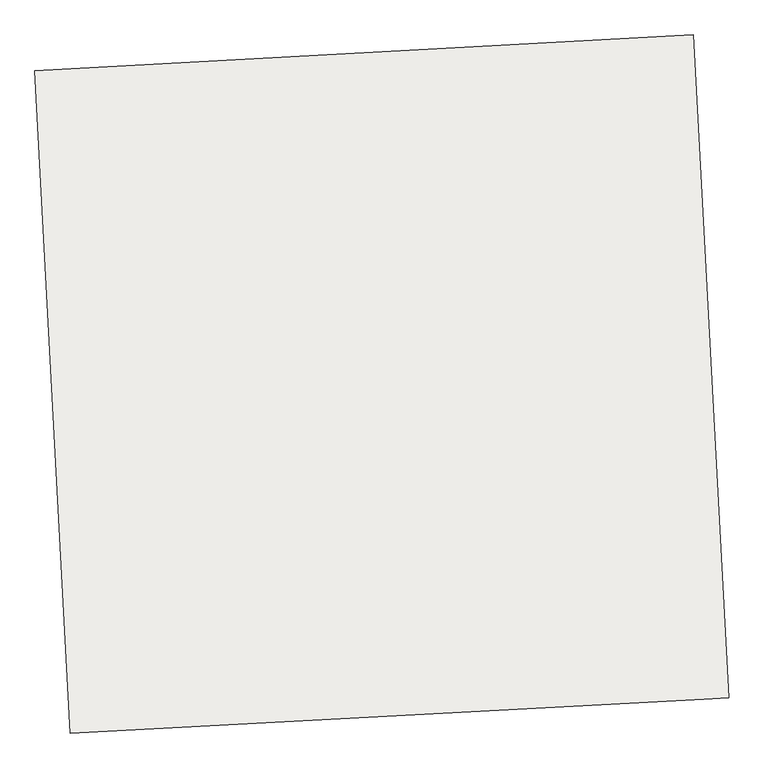
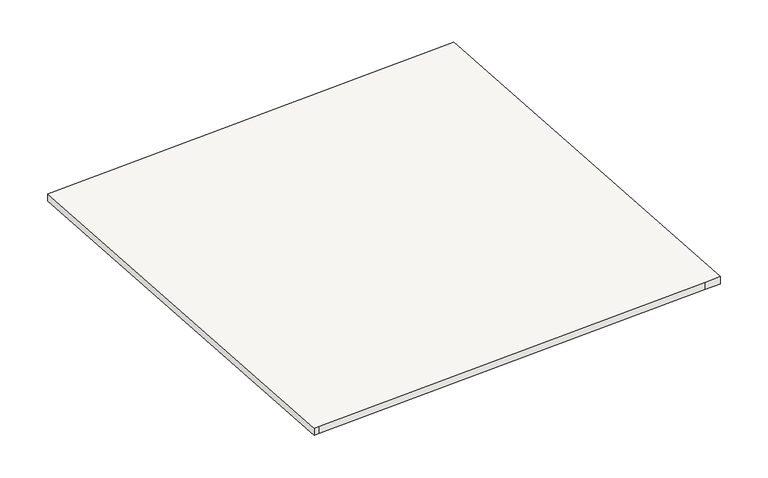
"""IFC4 building model written with IfcOpenShell, lengths in millimetres: slab geometry."""

from ifc_helpers import new_model, si_unit, frame, origin, place, context, project, spatial, polyline, outline, extrude, source, transform, mapped, element, save


def slab_7633b5a1(model_context):
    return source(origin(), model_context, "Body", "SweptSolid", [
        extrude(outline(polyline([(-132110.4151662, 124253.6178849), (-132124.7588935, 124252.8477675), (-132184.2612294, 125361.1012517), (-131083.4012163, 125420.6624665), (-131023.8744767, 124311.9544569), (-131065.2543217, 124309.7327653), (-132110.4151662, 124253.6178849)])), frame((0.0, 0.0, -6042.0), z_axis=(0.0, 0.0, 1.0), x_axis=(1.0, 0.0, 0.0)), (0.0, 0.0, 1.0), 20.0),
    ])


if __name__ == "__main__":
    model = new_model("IFC4")
    model_context = context("Model", 3, world=origin())
    ifc_project = project(units=[si_unit("LENGTHUNIT", "METRE", prefix="MILLI")], contexts=[model_context])
    site = spatial("IfcSite", under=ifc_project)
    building = spatial("IfcBuilding", under=site)
    placement = place(None, origin())
    slab_shape = slab_7633b5a1(model_context)
    element("IfcSlab", 1, at=placement, inside=building, context=model_context, shape_type="MappedRepresentation", body=[
        mapped(slab_shape, transform((0.0, 0.0, 0.0), x_axis=(1.0, 0.0, 0.0), y_axis=(0.0, 1.0, 0.0), z_axis=(0.0, 0.0, 1.0))),
    ])
    save(model, "model.ifc")
